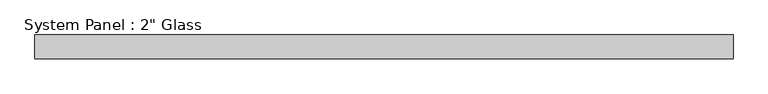
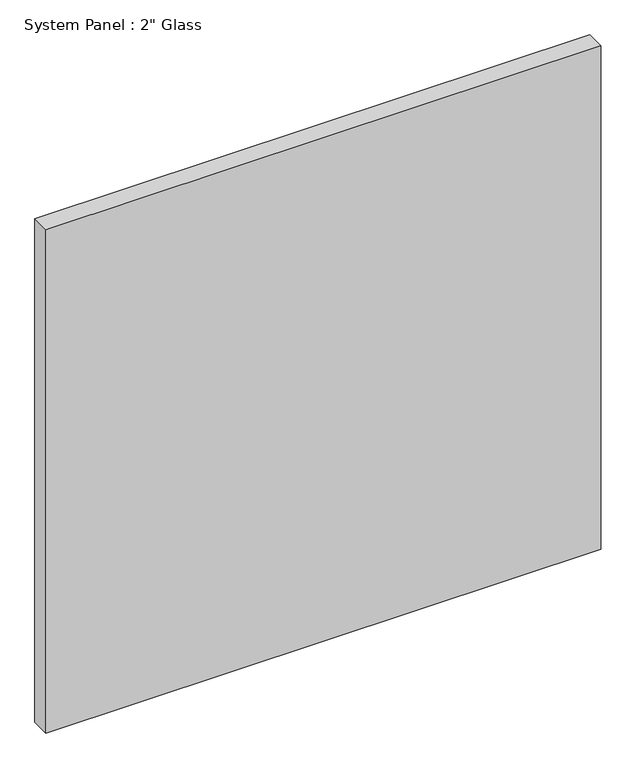
"""IFC4 building model written with IfcOpenShell, lengths in millimetres: plate geometry."""

from ifc_helpers import new_model, si_unit, origin, origin_with_axes, place, context, project, spatial, polyline, outline, extrude, source, transform, mapped, element, save


def plate_de8e6789(model_context):
    return source(origin(), model_context, "Body", "SweptSolid", [
        extrude(outline(polyline([(742.9508852, -25.4), (-742.9508852, -25.4), (-742.9508852, 25.4), (742.9508852, 25.4), (742.9508852, -25.4)])), origin_with_axes(), (0.0, 0.0, 1.0), 1424.9417704),
    ])


if __name__ == "__main__":
    model = new_model("IFC4")
    model_context = context("Model", 3, world=origin())
    ifc_project = project(units=[si_unit("LENGTHUNIT", "METRE", prefix="MILLI")], contexts=[model_context])
    site = spatial("IfcSite", under=ifc_project)
    building = spatial("IfcBuilding", under=site)
    placement = place(None, origin())
    plate_shape = plate_de8e6789(model_context)
    element("IfcPlate", 1, ObjectType="System Panel : 2\" Glass", at=placement, inside=building, context=model_context, shape_type="MappedRepresentation", body=[
        mapped(plate_shape, transform((0.0, 0.0, 0.0), x_axis=(1.0, 0.0, 0.0), y_axis=(0.0, 1.0, 0.0), z_axis=(0.0, 0.0, 1.0))),
    ])
    save(model, "model.ifc")
